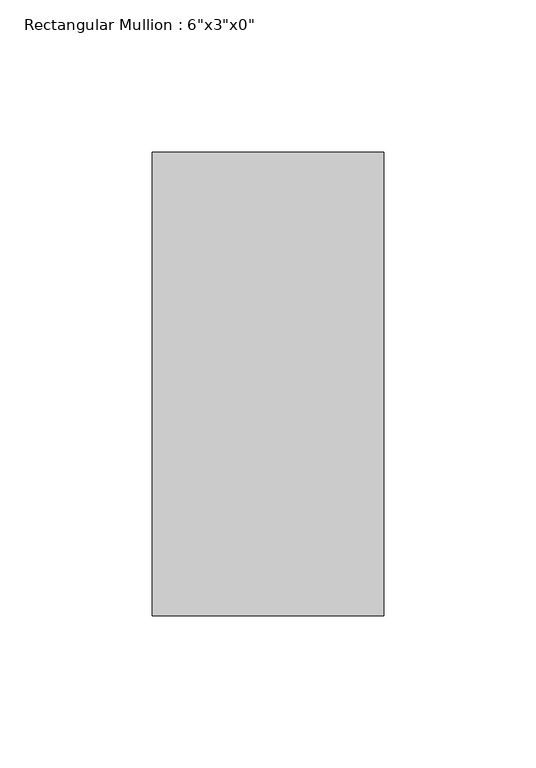
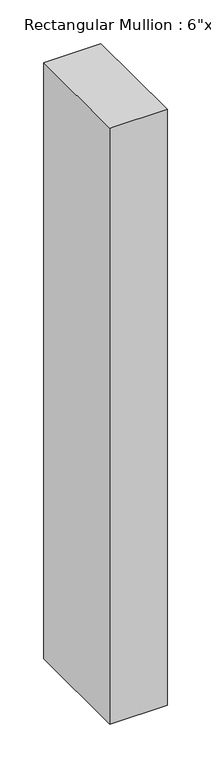
"""IFC4 building model written with IfcOpenShell, lengths in millimetres: member geometry."""

from ifc_helpers import new_model, si_unit, frame, origin, place, context, project, spatial, polyline, outline, extrude, source, transform, mapped, element, save


def member_e9c7bc63(model_context):
    return source(origin(), model_context, "Body", "SweptSolid", [
        extrude(outline(polyline([(38.1, 76.2), (38.1, -76.2), (-38.1, -76.2), (-38.1, 76.2), (38.1, 76.2)])), frame((0.0, 0.0, -836.0833333), z_axis=(0.0, 0.0, 1.0), x_axis=(1.0, 0.0, 0.0)), (0.0, 0.0, 1.0), 836.0833333),
    ])


if __name__ == "__main__":
    model = new_model("IFC4")
    model_context = context("Model", 3, world=origin())
    ifc_project = project(units=[si_unit("LENGTHUNIT", "METRE", prefix="MILLI")], contexts=[model_context])
    site = spatial("IfcSite", under=ifc_project)
    building = spatial("IfcBuilding", under=site)
    placement = place(None, origin())
    member_shape = member_e9c7bc63(model_context)
    element("IfcMember", 1, ObjectType="Rectangular Mullion : 6\"x3\"x0\"", at=placement, inside=building, context=model_context, shape_type="MappedRepresentation", body=[
        mapped(member_shape, transform((0.0, 0.0, 0.0), x_axis=(1.0, 0.0, 0.0), y_axis=(0.0, 1.0, 0.0), z_axis=(0.0, 0.0, 1.0))),
    ])
    save(model, "model.ifc")
